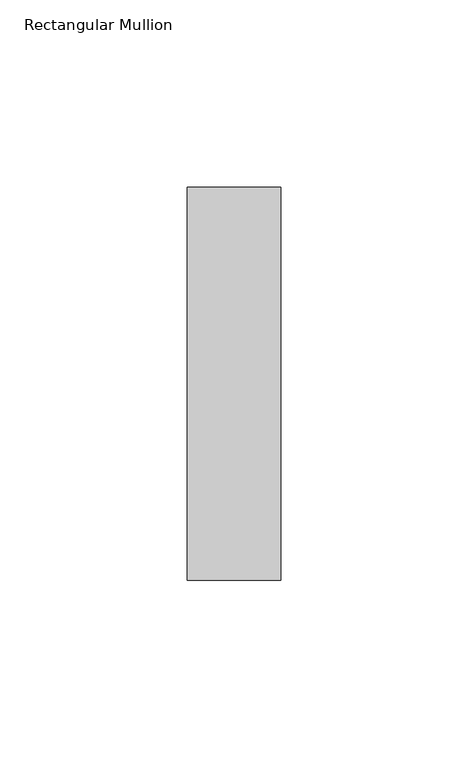
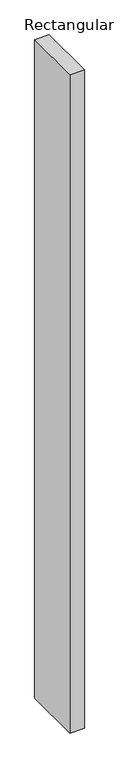
"""IFC4 building model written with IfcOpenShell, lengths in millimetres: member geometry, Rectangular Mullion."""

from ifc_helpers import new_model, si_unit, frame, origin, place, context, project, spatial, polyline, outline, extrude, source, transform, mapped, element, save


def rectangular_mullion_990c7ecd(model_context):
    return source(origin(), model_context, "Body", "SweptSolid", [
        extrude(outline(polyline([(0.0, 52.5), (0.0, -52.5), (-25.0, -52.5), (-25.0, 52.5), (0.0, 52.5)])), frame((0.0, 0.0, -1200.0), z_axis=(0.0, 0.0, 1.0), x_axis=(1.0, 0.0, 0.0)), (0.0, 0.0, 1.0), 1200.0),
    ])


if __name__ == "__main__":
    model = new_model("IFC4")
    model_context = context("Model", 3, world=origin())
    ifc_project = project(units=[si_unit("LENGTHUNIT", "METRE", prefix="MILLI")], contexts=[model_context])
    site = spatial("IfcSite", under=ifc_project)
    building = spatial("IfcBuilding", under=site)
    placement = place(None, origin())
    rectangular_mullion_shape = rectangular_mullion_990c7ecd(model_context)
    element("IfcMember", 1, ObjectType="Rectangular Mullion", at=placement, inside=building, context=model_context, shape_type="MappedRepresentation", body=[
        mapped(rectangular_mullion_shape, transform((0.0, 0.0, 0.0), x_axis=(1.0, 0.0, 0.0), y_axis=(0.0, 1.0, 0.0), z_axis=(0.0, 0.0, 1.0))),
    ])
    save(model, "model.ifc")
